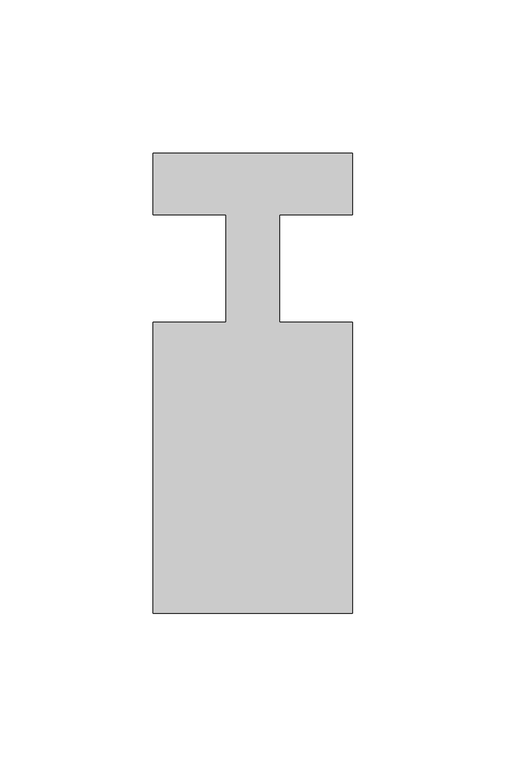
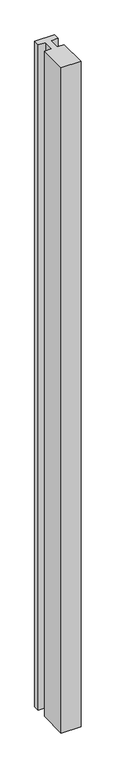
"""IFC4 building model written with IfcOpenShell, lengths in millimetres: member geometry."""

import ifcopenshell
import ifcopenshell.guid

model = None  # the IFC model being written
_history = None  # IfcOwnerHistory: only IFC2X3 demands one
_inside = {}  # id of a spatial element -> (the spatial element, [elements in it])
_under = {}  # id of a project, library or spatial element -> (it, [spatial elements below it])
_declared = {}  # id of a project -> (the project, [libraries it declares])
_typed = {}  # id of a type object -> (the type object, [elements of that type])
_made_of = {}  # id of a material, layer set ... -> (it, [elements and type objects made of it])


def new_model(schema):
    """Start an empty IFC model of exactly this schema.

    Asked for "IFC4X3", IfcOpenShell would pick the latest addendum, in which some entities
    have other attributes; the version numbers below select the first issue.
    IFC2X3 requires an IfcOwnerHistory on every rooted entity: one is made here for all.
    """
    global model, _history
    if schema == "IFC4X3":
        model = ifcopenshell.file(schema_version=(4, 3, 0, 0))
    else:
        model = ifcopenshell.file(schema=schema)
    _inside.clear()
    _under.clear()
    _declared.clear()
    _typed.clear()
    _made_of.clear()
    _history = None
    if model.schema == "IFC2X3":
        org = make("IfcOrganization", Name="unknown")
        user = make(
            "IfcPersonAndOrganization",
            ThePerson=make("IfcPerson", FamilyName="unknown"),
            TheOrganization=org,
        )
        app = make(
            "IfcApplication",
            ApplicationDeveloper=org,
            Version="unknown",
            ApplicationFullName="unknown",
            ApplicationIdentifier="unknown",
        )
        _history = make(
            "IfcOwnerHistory",
            OwningUser=user,
            OwningApplication=app,
            ChangeAction="ADDED",
            CreationDate=0,
        )
    return model


def make(cls, **values):
    """One entity of the class cls with the attributes given. An attribute that is None is left unset."""
    return model.create_entity(
        cls, **{name: value for name, value in values.items() if value is not None}
    )


def rooted(cls, **values):
    """An entity with a GlobalId (a new one), such as an element, a storey or a relation."""
    return make(cls, GlobalId=ifcopenshell.guid.new(), OwnerHistory=_history, **values)


def si_unit(unit_type, name, prefix=None):
    """IfcSIUnit, for example si_unit("LENGTHUNIT", "METRE", prefix="MILLI")."""
    return make("IfcSIUnit", UnitType=unit_type, Prefix=prefix, Name=name)


def assignment(units):
    """IfcUnitAssignment: the units of a project."""
    return None if units is None else make("IfcUnitAssignment", Units=units)


def point(xyz):
    """IfcCartesianPoint."""
    return None if xyz is None else make("IfcCartesianPoint", Coordinates=xyz)


def direction(xyz):
    """IfcDirection."""
    return None if xyz is None else make("IfcDirection", DirectionRatios=xyz)


def frame(location, z_axis=None, x_axis=None):
    """IfcAxis2Placement3D, a coordinate frame: its origin and axes. An axis left out is left unset."""
    return make(
        "IfcAxis2Placement3D",
        Location=point(location),
        Axis=direction(z_axis),
        RefDirection=direction(x_axis),
    )


def origin():
    """The frame at (0, 0, 0) with its axes left unset."""
    return frame((0.0, 0.0, 0.0))


def place(relative_to, where):
    """IfcLocalPlacement: puts the frame where relative to a parent placement (None: the world)."""
    return make(
        "IfcLocalPlacement", PlacementRelTo=relative_to, RelativePlacement=where
    )


def context(
    kind, dimensions, precision=None, world=None, true_north=None, identifier=None
):
    """IfcGeometricRepresentationContext, for example the 3D "Model" context."""
    return make(
        "IfcGeometricRepresentationContext",
        ContextIdentifier=identifier,
        ContextType=kind,
        CoordinateSpaceDimension=dimensions,
        Precision=precision,
        WorldCoordinateSystem=world,
        TrueNorth=true_north,
    )


def project(units=None, contexts=None):
    """IfcProject with its units and contexts."""
    return rooted(
        "IfcProject",
        Name="project",
        RepresentationContexts=contexts,
        UnitsInContext=assignment(units),
    )


def spatial(cls, under=None, at=None, **own):
    """A site, building, storey or space (cls), placed at a placement, below another one or the project."""
    s = rooted(cls, ObjectPlacement=at, **own)
    if under is not None:
        _under.setdefault(under.id(), (under, []))[1].append(s)
    return s


def polyline(points):
    """IfcPolyline through the points."""
    return make("IfcPolyline", Points=[point(p) for p in points])


def outline(outer, holes=None, kind="AREA"):
    """IfcArbitraryClosedProfileDef: a profile drawn as a closed curve; with holes, ...WithVoids."""
    if holes is None:
        return make("IfcArbitraryClosedProfileDef", ProfileType=kind, OuterCurve=outer)
    return make(
        "IfcArbitraryProfileDefWithVoids",
        ProfileType=kind,
        OuterCurve=outer,
        InnerCurves=holes,
    )


def extrude(swept, where, along, depth):
    """IfcExtrudedAreaSolid: the profile swept, set in the frame where, extruded along a direction by depth."""
    return make(
        "IfcExtrudedAreaSolid",
        SweptArea=swept,
        Position=where,
        ExtrudedDirection=direction(along),
        Depth=depth,
    )


def shape(context_of_items, identifier, shape_type, items):
    """IfcShapeRepresentation: the items that make up one representation, for example the "Body"."""
    return make(
        "IfcShapeRepresentation",
        ContextOfItems=context_of_items,
        RepresentationIdentifier=identifier,
        RepresentationType=shape_type,
        Items=items,
    )


def source(mapping_origin, context_of_items, identifier, shape_type, items):
    """IfcRepresentationMap: a shape defined once, which mapped items show again and again."""
    return make(
        "IfcRepresentationMap",
        MappingOrigin=mapping_origin,
        MappedRepresentation=shape(context_of_items, identifier, shape_type, items),
    )


def transform(
    local_origin,
    x_axis=None,
    y_axis=None,
    z_axis=None,
    scale=None,
    scale2=None,
    scale3=None,
    uniform=True,
):
    """IfcCartesianTransformationOperator3D, or its non-uniform kind. x_axis, y_axis, z_axis: its Axis1, 2, 3."""
    if uniform:
        return make(
            "IfcCartesianTransformationOperator3D",
            Axis1=direction(x_axis),
            Axis2=direction(y_axis),
            LocalOrigin=point(local_origin),
            Scale=scale,
            Axis3=direction(z_axis),
        )
    return make(
        "IfcCartesianTransformationOperator3DnonUniform",
        Axis1=direction(x_axis),
        Axis2=direction(y_axis),
        LocalOrigin=point(local_origin),
        Scale=scale,
        Axis3=direction(z_axis),
        Scale2=scale2,
        Scale3=scale3,
    )


def mapped(mapping_source, mapping_target):
    """IfcMappedItem: shows the shape of a source again, moved by a transform."""
    return make(
        "IfcMappedItem", MappingSource=mapping_source, MappingTarget=mapping_target
    )


def made_of(thing, what):
    """Note that an element or type object is made of a material, layer set ...; save() writes the relation."""
    if what is not None:
        _made_of.setdefault(what.id(), (what, []))[1].append(thing)
    return thing


def element(
    cls,
    number,
    at=None,
    inside=None,
    cuts=None,
    type_object=None,
    material=None,
    context=None,
    identifier="Body",
    shape_type=None,
    held_by="IfcProductDefinitionShape",
    body=None,
    shapes=None,
    **own,
):
    """One element of the class cls, such as IfcWall. Its Tag is "e" and its number.

    at: its placement. inside: the storey or other place that contains it. cuts: it is an
    opening in that element (IfcRelVoidsElement). A single representation is given by context,
    identifier, shape_type and body (its items); several are given by shapes. held_by: the class
    of the entity that holds the representations. save() writes the other relations.
    """
    e = rooted(cls, Tag="e%d" % number, ObjectPlacement=at, **own)
    if body is not None:
        shapes = [shape(context, identifier, shape_type, body)]
    if shapes is not None:
        e.Representation = make(held_by, Representations=shapes)
    if inside is not None:
        _inside.setdefault(inside.id(), (inside, []))[1].append(e)
    if cuts is not None:
        rooted(
            "IfcRelVoidsElement", RelatingBuildingElement=cuts, RelatedOpeningElement=e
        )
    if type_object is not None:
        _typed.setdefault(type_object.id(), (type_object, []))[1].append(e)
    return made_of(e, material)


def aggregate(whole, parts):
    """IfcRelAggregates: a whole, such as a stair, and the parts it consists of."""
    return rooted("IfcRelAggregates", RelatingObject=whole, RelatedObjects=parts)


def save(model, path):
    """Write the relations noted so far, then the file.

    IfcRelAggregates (storeys below a building ...), IfcRelContainedInSpatialStructure (elements
    in a storey), IfcRelDefinesByType, IfcRelAssociatesMaterial and IfcRelDeclares: one each for
    every whole, place, type object, material and project.
    """
    for whole, parts in _under.values():
        aggregate(whole, parts)
    for where, things in _inside.values():
        rooted(
            "IfcRelContainedInSpatialStructure",
            RelatedElements=things,
            RelatingStructure=where,
        )
    for kind, things in _typed.values():
        rooted("IfcRelDefinesByType", RelatedObjects=things, RelatingType=kind)
    for what, things in _made_of.values():
        rooted("IfcRelAssociatesMaterial", RelatedObjects=things, RelatingMaterial=what)
    for by, libraries in _declared.values():
        rooted("IfcRelDeclares", RelatingContext=by, RelatedDefinitions=libraries)
    model.write(path)


def member_caadbbb7(model_context):
    return source(origin(), model_context, "Body", "SweptSolid", [
        extrude(outline(polyline([(0.0, 37.0), (0.0, 17.0), (-23.8125, 17.0), (-23.8125, -18.0), (0.0, -18.0), (0.0, -113.0), (-65.0, -113.0), (-65.0, -18.0), (-41.1875, -18.0), (-41.1875, 17.0), (-65.0, 17.0), (-65.0, 37.0), (0.0, 37.0)])), frame((0.0, 0.0, -2300.0), z_axis=(0.0, 0.0, 1.0), x_axis=(1.0, 0.0, 0.0)), (0.0, 0.0, 1.0), 2300.0),
    ])


if __name__ == "__main__":
    model = new_model("IFC4")
    model_context = context("Model", 3, world=origin())
    ifc_project = project(units=[si_unit("LENGTHUNIT", "METRE", prefix="MILLI")], contexts=[model_context])
    site = spatial("IfcSite", under=ifc_project)
    building = spatial("IfcBuilding", under=site)
    placement = place(None, origin())
    member_shape = member_caadbbb7(model_context)
    element("IfcMember", 1, at=placement, inside=building, context=model_context, shape_type="MappedRepresentation", body=[
        mapped(member_shape, transform((0.0, 0.0, 0.0), x_axis=(1.0, 0.0, 0.0), y_axis=(0.0, 1.0, 0.0), z_axis=(0.0, 0.0, 1.0))),
    ])
    save(model, "model.ifc")
